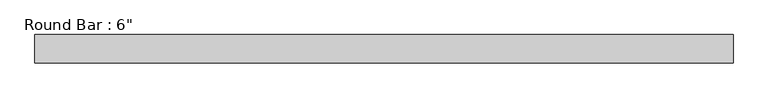
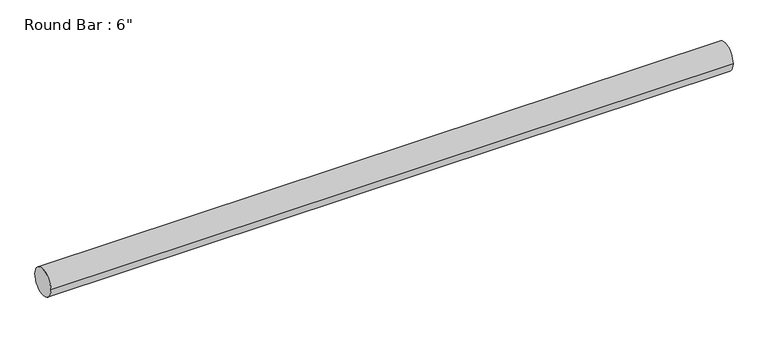
"""IFC4 building model written with IfcOpenShell, lengths in millimetres: beam geometry."""

from ifc_helpers import new_model, si_unit, point, frame, origin, origin_2d, place, context, project, spatial, circle_curve, trimmed, segment, composite_curve, outline, extrude, source, transform, mapped, element, save


def beam_10b62798(model_context):
    return source(origin(), model_context, "Body", "SweptSolid", [
        extrude(outline(composite_curve([segment(trimmed(circle_curve(origin_2d(), 76.2), [point((-76.2, 0.0))], [point((76.2, 0.0))], False, "CARTESIAN"), True, "CONTINUOUS"), segment(trimmed(circle_curve(origin_2d(), 76.2), [point((76.2, 0.0))], [point((-76.2, 0.0))], False, "CARTESIAN"), True, "CONTINUOUS")], self_intersect=False)), frame((-1867.3698354, 0.0, 0.0), z_axis=(1.0, 0.0, 0.0), x_axis=(0.0, 1.0, 0.0)), (0.0, 0.0, 1.0), 3753.9495908),
    ])


if __name__ == "__main__":
    model = new_model("IFC4")
    model_context = context("Model", 3, world=origin())
    ifc_project = project(units=[si_unit("LENGTHUNIT", "METRE", prefix="MILLI")], contexts=[model_context])
    site = spatial("IfcSite", under=ifc_project)
    building = spatial("IfcBuilding", under=site)
    placement = place(None, origin())
    beam_shape = beam_10b62798(model_context)
    element("IfcBeam", 1, ObjectType="Round Bar : 6\"", at=placement, inside=building, context=model_context, shape_type="MappedRepresentation", body=[
        mapped(beam_shape, transform((0.0, 0.0, 0.0), x_axis=(1.0, 0.0, 0.0), y_axis=(0.0, 1.0, 0.0), z_axis=(0.0, 0.0, 1.0))),
    ])
    save(model, "model.ifc")
